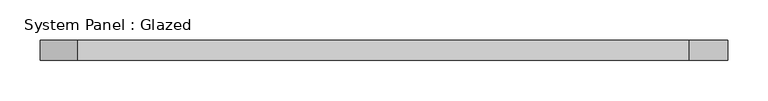
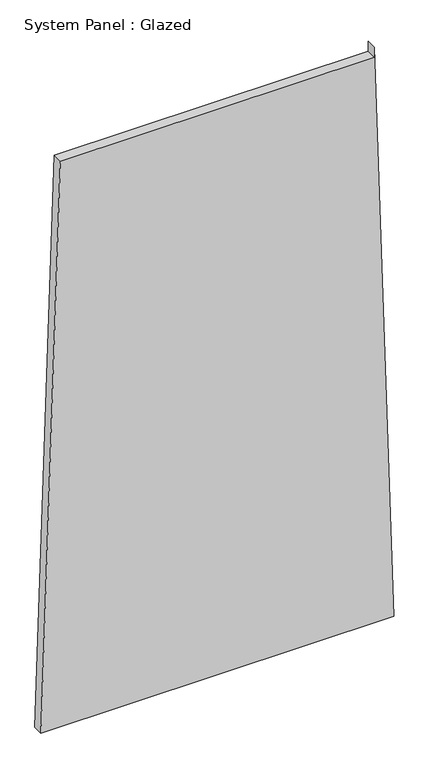
"""IFC4 building model written with IfcOpenShell, lengths in millimetres: plate geometry, System Panel : Glazed."""

from ifc_helpers import new_model, si_unit, frame, origin, place, context, project, spatial, polyline, outline, extrude, source, transform, mapped, element, save


def system_panel_glazed_ab839d29(model_context):
    return source(origin(), model_context, "Body", "SweptSolid", [
        extrude(outline(polyline([(0.0, -427.7509632), (0.0, 427.7509632), (1474.2128317, 379.962715), (1449.2128317, 379.9627153), (1449.2128216, -380.7734905), (0.0, -427.7509632)])), frame((0.0, -49.5, 0.0), z_axis=(0.0, 1.0, 0.0), x_axis=(0.0, 0.0, 1.0)), (0.0, 0.0, 1.0), 25.0),
    ])


if __name__ == "__main__":
    model = new_model("IFC4")
    model_context = context("Model", 3, world=origin())
    ifc_project = project(units=[si_unit("LENGTHUNIT", "METRE", prefix="MILLI")], contexts=[model_context])
    site = spatial("IfcSite", under=ifc_project)
    building = spatial("IfcBuilding", under=site)
    placement = place(None, origin())
    system_panel_glazed_shape = system_panel_glazed_ab839d29(model_context)
    element("IfcPlate", 1, ObjectType="System Panel : Glazed", at=placement, inside=building, context=model_context, shape_type="MappedRepresentation", body=[
        mapped(system_panel_glazed_shape, transform((0.0, 0.0, 0.0), x_axis=(1.0, 0.0, 0.0), y_axis=(0.0, 1.0, 0.0), z_axis=(0.0, 0.0, 1.0))),
    ])
    save(model, "model.ifc")
